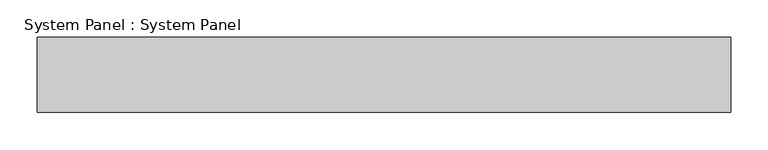
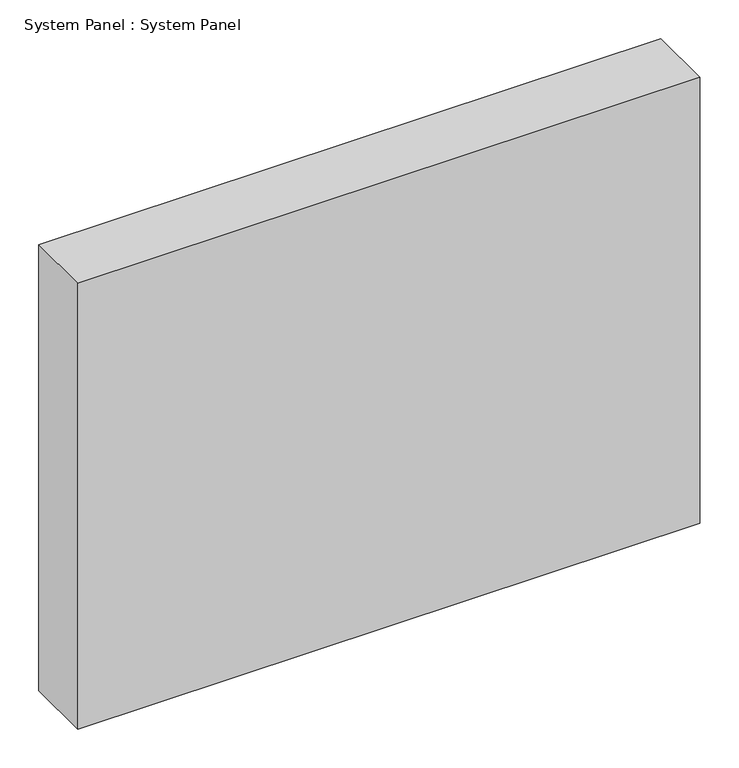
"""IFC4 building model written with IfcOpenShell, lengths in millimetres: plate geometry, System Panel : System Panel."""

from ifc_helpers import new_model, si_unit, origin, origin_with_axes, place, context, project, spatial, polyline, outline, extrude, source, transform, mapped, element, save


def system_panel_system_panel_697f2c0c(model_context):
    return source(origin(), model_context, "Body", "SweptSolid", [
        extrude(outline(polyline([(462.5, -50.0), (-462.5, -50.0), (-462.5, 50.0), (462.5, 50.0), (462.5, -50.0)])), origin_with_axes(), (0.0, 0.0, 1.0), 700.694024),
    ])


if __name__ == "__main__":
    model = new_model("IFC4")
    model_context = context("Model", 3, world=origin())
    ifc_project = project(units=[si_unit("LENGTHUNIT", "METRE", prefix="MILLI")], contexts=[model_context])
    site = spatial("IfcSite", under=ifc_project)
    building = spatial("IfcBuilding", under=site)
    placement = place(None, origin())
    system_panel_system_panel_shape = system_panel_system_panel_697f2c0c(model_context)
    element("IfcPlate", 1, ObjectType="System Panel : System Panel", at=placement, inside=building, context=model_context, shape_type="MappedRepresentation", body=[
        mapped(system_panel_system_panel_shape, transform((0.0, 0.0, 0.0), x_axis=(1.0, 0.0, 0.0), y_axis=(0.0, 1.0, 0.0), z_axis=(0.0, 0.0, 1.0))),
    ])
    save(model, "model.ifc")
